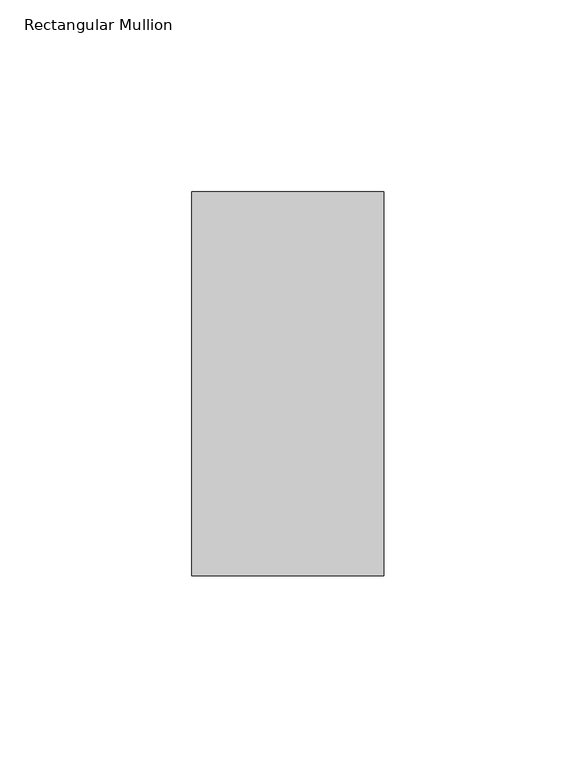
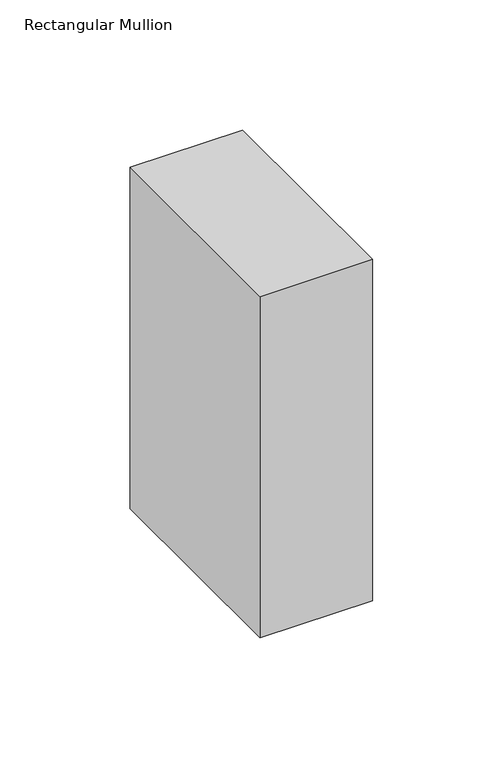
"""IFC4 building model written with IfcOpenShell, lengths in millimetres: member geometry, Rectangular Mullion."""

from ifc_helpers import new_model, si_unit, frame, origin, place, context, project, spatial, polyline, outline, extrude, source, transform, mapped, element, save


def rectangular_mullion_16d67b73(model_context):
    return source(origin(), model_context, "Body", "SweptSolid", [
        extrude(outline(polyline([(25.0, 69.0), (25.0, -31.0), (-25.0, -31.0), (-25.0, 69.0), (25.0, 69.0)])), frame((0.0, 0.0, -160.0), z_axis=(0.0, 0.0, 1.0), x_axis=(1.0, 0.0, 0.0)), (0.0, 0.0, 1.0), 160.0),
    ])


if __name__ == "__main__":
    model = new_model("IFC4")
    model_context = context("Model", 3, world=origin())
    ifc_project = project(units=[si_unit("LENGTHUNIT", "METRE", prefix="MILLI")], contexts=[model_context])
    site = spatial("IfcSite", under=ifc_project)
    building = spatial("IfcBuilding", under=site)
    placement = place(None, origin())
    rectangular_mullion_shape = rectangular_mullion_16d67b73(model_context)
    element("IfcMember", 1, ObjectType="Rectangular Mullion", at=placement, inside=building, context=model_context, shape_type="MappedRepresentation", body=[
        mapped(rectangular_mullion_shape, transform((0.0, 0.0, 0.0), x_axis=(1.0, 0.0, 0.0), y_axis=(0.0, 1.0, 0.0), z_axis=(0.0, 0.0, 1.0))),
    ])
    save(model, "model.ifc")
